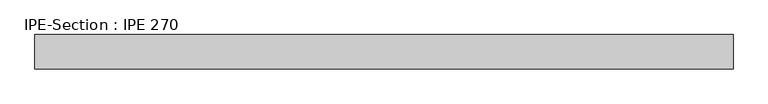
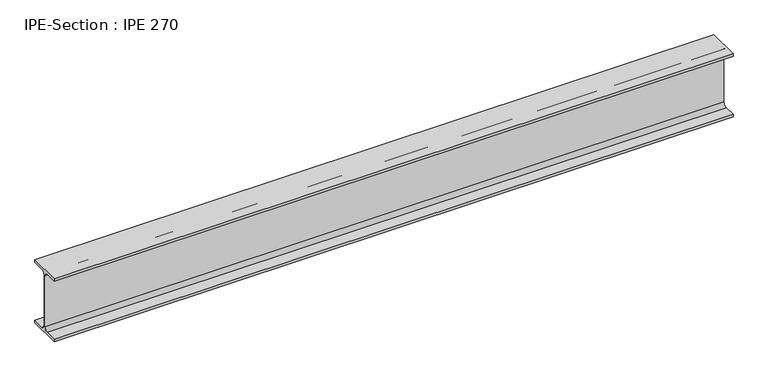
"""IFC4 building model written with IfcOpenShell, lengths in millimetres: beam geometry, IPE-Section : IPE 270."""

from ifc_helpers import new_model, si_unit, point, frame, frame_2d, origin, place, context, project, spatial, polyline, circle_curve, trimmed, segment, composite_curve, outline, extrude, source, transform, mapped, element, save


def ipe_section_ipe_270_9115d66e(model_context):
    return source(origin(), model_context, "Body", "SweptSolid", [
        extrude(outline(composite_curve([segment(polyline([(67.5, -124.8), (67.5, -135.0), (-67.5, -135.0), (-67.5, -124.8), (-18.3, -124.8)]), True, "CONTINUOUS"), segment(trimmed(circle_curve(frame_2d((-18.3, -109.8)), 15.0), [point((-18.3, -124.8))], [point((-3.3, -109.8))], True, "CARTESIAN"), True, "CONTINUOUS"), segment(polyline([(-3.3, -109.8), (-3.3, 109.8)]), True, "CONTINUOUS"), segment(trimmed(circle_curve(frame_2d((-18.3, 109.8)), 15.0), [point((-3.3, 109.8))], [point((-18.3, 124.8))], True, "CARTESIAN"), True, "CONTINUOUS"), segment(polyline([(-18.3, 124.8), (-67.5, 124.8), (-67.5, 135.0), (67.5, 135.0), (67.5, 124.8), (18.3, 124.8)]), True, "CONTINUOUS"), segment(trimmed(circle_curve(frame_2d((18.3, 109.8)), 15.0), [point((18.3, 124.8))], [point((3.3, 109.8))], True, "CARTESIAN"), True, "CONTINUOUS"), segment(polyline([(3.3, 109.8), (3.3, -109.8)]), True, "CONTINUOUS"), segment(trimmed(circle_curve(frame_2d((18.3, -109.8)), 15.0), [point((3.3, -109.8))], [point((18.3, -124.8))], True, "CARTESIAN"), True, "CONTINUOUS"), segment(polyline([(18.3, -124.8), (67.5, -124.8)]), True, "CONTINUOUS")], self_intersect=False)), frame((-1367.3, 0.0, 0.0), z_axis=(1.0, 0.0, 0.0), x_axis=(0.0, 1.0, 0.0)), (0.0, 0.0, 1.0), 2757.1),
    ])


if __name__ == "__main__":
    model = new_model("IFC4")
    model_context = context("Model", 3, world=origin())
    ifc_project = project(units=[si_unit("LENGTHUNIT", "METRE", prefix="MILLI")], contexts=[model_context])
    site = spatial("IfcSite", under=ifc_project)
    building = spatial("IfcBuilding", under=site)
    placement = place(None, origin())
    ipe_section_ipe_270_shape = ipe_section_ipe_270_9115d66e(model_context)
    element("IfcBeam", 1, ObjectType="IPE-Section : IPE 270", at=placement, inside=building, context=model_context, shape_type="MappedRepresentation", body=[
        mapped(ipe_section_ipe_270_shape, transform((0.0, 0.0, 0.0), x_axis=(1.0, 0.0, 0.0), y_axis=(0.0, 1.0, 0.0), z_axis=(0.0, 0.0, 1.0))),
    ])
    save(model, "model.ifc")
